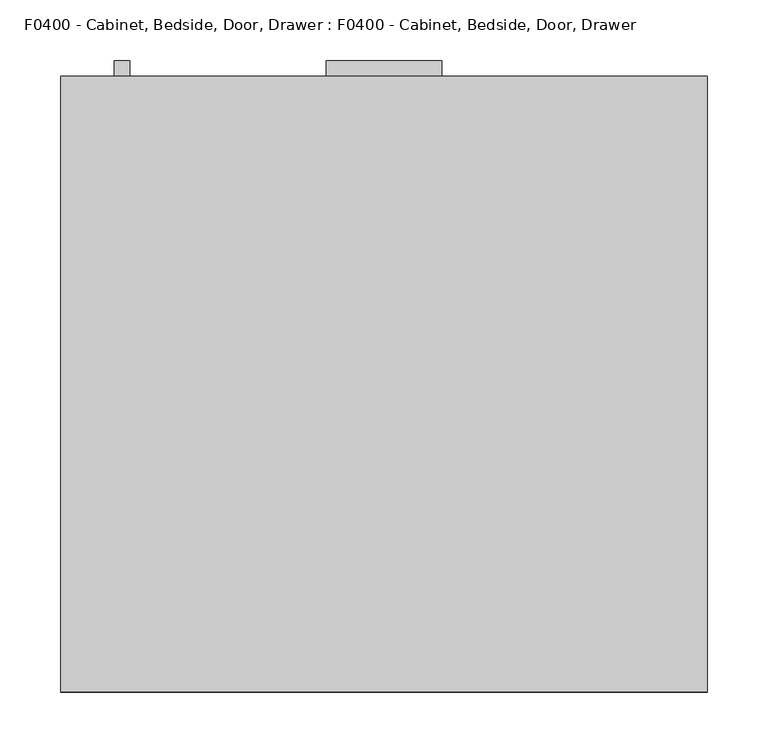
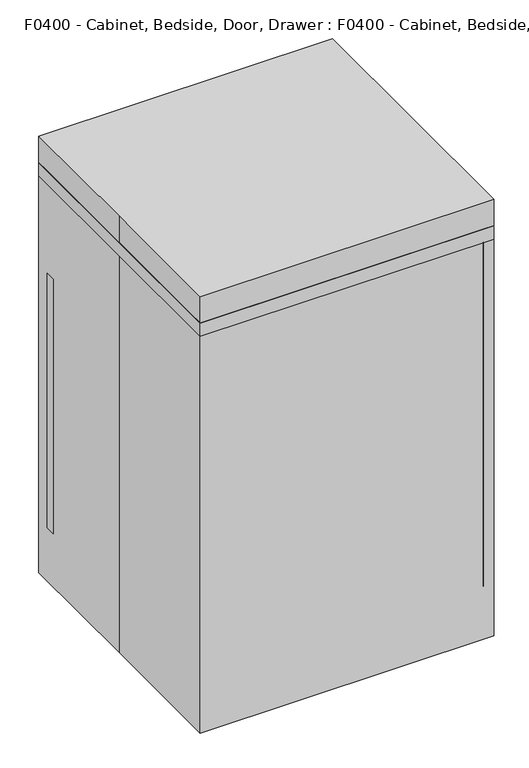
"""IFC4 building model written with IfcOpenShell, lengths in millimetres: proxy geometry, F0400 - Cabinet, Bedside, Door, Drawer : F0400 - Cabinet, Bedside, Door, Drawer."""

from ifc_helpers import new_model, si_unit, frame, origin, origin_with_axes, place, context, project, spatial, polyline, outline, extrude, source, transform, mapped, element, save


def f0400_cabinet_bedside_door_drawer_f0400_cabinet_bedside_door_659a931a(model_context):
    return source(origin(), model_context, "Body", "SweptSolid", [
        extrude(outline(polyline([(0.0, -166.3558646), (101.6, -128.2558646), (101.6, -217.1558646), (0.0, -217.1558646), (0.0, -166.3558646)])), frame((0.0, 132.9187948, 0.0), z_axis=(0.0, 1.0, 0.0), x_axis=(0.0, 0.0, 1.0)), (0.0, 0.0, 1.0), 50.8),
        extrude(outline(polyline([(0.0, -166.3558646), (101.6, -128.2558646), (101.6, -217.1558646), (0.0, -217.1558646), (0.0, -166.3558646)])), frame((0.0, -216.3312052, 0.0), z_axis=(0.0, 1.0, 0.0), x_axis=(0.0, 0.0, 1.0)), (0.0, 0.0, 1.0), 50.8),
        extrude(outline(polyline([(0.0, 217.1558646), (101.6, 217.1558646), (101.6, 128.2558646), (0.0, 166.3558646), (0.0, 217.1558646)])), frame((0.0, 132.9187948, 0.0), z_axis=(0.0, 1.0, 0.0), x_axis=(0.0, 0.0, 1.0)), (0.0, 0.0, 1.0), 50.8),
        extrude(outline(polyline([(0.0, 217.1558646), (101.6, 217.1558646), (101.6, 128.2558646), (0.0, 166.3558646), (0.0, 217.1558646)])), frame((0.0, -216.3312052, 0.0), z_axis=(0.0, 1.0, 0.0), x_axis=(0.0, 0.0, 1.0)), (0.0, 0.0, 1.0), 50.8),
        extrude(outline(polyline([(247.65, -234.95), (-247.65, -234.95), (-247.65, 209.55), (247.65, 209.55), (247.65, -234.95)])), frame((0.0, 0.0, 101.6), z_axis=(0.0, 0.0, 1.0), x_axis=(1.0, 0.0, 0.0)), (0.0, 0.0, 1.0), 19.05),
        extrude(outline(polyline([(266.7159299, 447.6560937), (228.6159299, 447.6560937), (228.6159299, 460.3401637), (254.0318599, 460.3401637), (254.0318599, 530.2220236), (228.6159299, 530.2220236), (228.6159299, 542.9060937), (266.7159299, 542.9060937), (266.7159299, 447.6560937)])), frame((-222.5434712, 0.0, 0.0), z_axis=(1.0, 0.0, 0.0), x_axis=(0.0, 1.0, 0.0)), (0.0, 0.0, 1.0), 12.7),
        extrude(outline(polyline([(-47.625, 266.7159299), (47.625, 266.7159299), (47.625, 228.6159299), (34.9409299, 228.6159299), (34.9409299, 254.0318599), (-34.9409299, 254.0318599), (-34.9409299, 228.6159299), (-47.625, 228.6159299), (-47.625, 266.7159299)])), frame((0.0, 0.0, 684.1962383), z_axis=(0.0, 0.0, 1.0), x_axis=(1.0, 0.0, 0.0)), (0.0, 0.0, 1.0), 12.7),
        extrude(outline(polyline([(266.7, -254.0), (-266.7, -254.0), (-266.7, 254.0), (266.7, 254.0), (266.7, -254.0)])), frame((0.0, 0.0, 762.0), z_axis=(0.0, 0.0, 1.0), x_axis=(1.0, 0.0, 0.0)), (0.0, 0.0, 1.0), 25.4),
        extrude(outline(polyline([(266.7, 228.6), (266.7, 209.55), (-266.7, 209.55), (-266.7, 228.6), (266.7, 228.6)])), frame((0.0, 0.0, 101.6), z_axis=(0.0, 0.0, 1.0), x_axis=(1.0, 0.0, 0.0)), (0.0, 0.0, 1.0), 488.95),
        extrude(outline(polyline([(-266.7, -254.0), (-266.7, 0.0), (-266.7, 254.0), (266.7, 254.0), (266.7, -254.0), (-266.7, -254.0)])), origin_with_axes(), (0.0, 0.0, 1.0), 838.2),
        extrude(outline(polyline([(266.7, 228.6), (266.7, 209.55), (-266.7, 209.55), (-266.7, 228.6), (266.7, 228.6)])), frame((0.0, 0.0, 596.9), z_axis=(0.0, 0.0, 1.0), x_axis=(1.0, 0.0, 0.0)), (0.0, 0.0, 1.0), 158.7174767),
        extrude(outline(polyline([(247.65, -234.95), (247.65, -254.0), (-247.65, -254.0), (-247.65, -234.95), (247.65, -234.95)])), frame((0.0, 0.0, 101.6), z_axis=(0.0, 0.0, 1.0), x_axis=(1.0, 0.0, 0.0)), (0.0, 0.0, 1.0), 660.4),
        extrude(outline(polyline([(-266.7, 228.6), (-247.65, 228.6), (-247.65, -254.0), (-266.7, -254.0), (-266.7, 228.6)])), frame((0.0, 0.0, 101.6), z_axis=(0.0, 0.0, 1.0), x_axis=(1.0, 0.0, 0.0)), (0.0, 0.0, 1.0), 660.4),
        extrude(outline(polyline([(247.65, 228.6), (266.7, 228.6), (266.7, -254.0), (247.65, -254.0), (247.65, 228.6)])), frame((0.0, 0.0, 101.6), z_axis=(0.0, 0.0, 1.0), x_axis=(1.0, 0.0, 0.0)), (0.0, 0.0, 1.0), 660.4),
    ])


if __name__ == "__main__":
    model = new_model("IFC4")
    model_context = context("Model", 3, world=origin())
    ifc_project = project(units=[si_unit("LENGTHUNIT", "METRE", prefix="MILLI")], contexts=[model_context])
    site = spatial("IfcSite", under=ifc_project)
    building = spatial("IfcBuilding", under=site)
    placement = place(None, origin())
    f0400_cabinet_bedside_door_drawer_f0400_cabinet_bedside_door_shape = f0400_cabinet_bedside_door_drawer_f0400_cabinet_bedside_door_659a931a(model_context)
    element("IfcBuildingElementProxy", 1, Name="F0400 - Cabinet, Bedside, Door, Drawer : F0400 - Cabinet, Bedside, Door, Drawer", ObjectType="F0400 - Cabinet, Bedside, Door, Drawer : F0400 - Cabinet, Bedside, Door, Drawer", at=placement, inside=building, context=model_context, shape_type="MappedRepresentation", body=[
        mapped(f0400_cabinet_bedside_door_drawer_f0400_cabinet_bedside_door_shape, transform((0.0, 0.0, 0.0), x_axis=(1.0, 0.0, 0.0), y_axis=(0.0, 1.0, 0.0), z_axis=(0.0, 0.0, 1.0))),
    ])
    save(model, "model.ifc")
